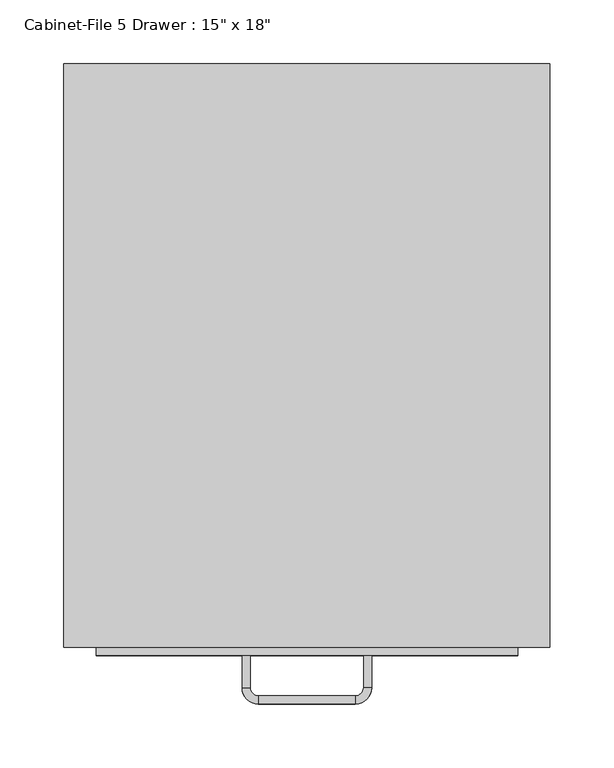
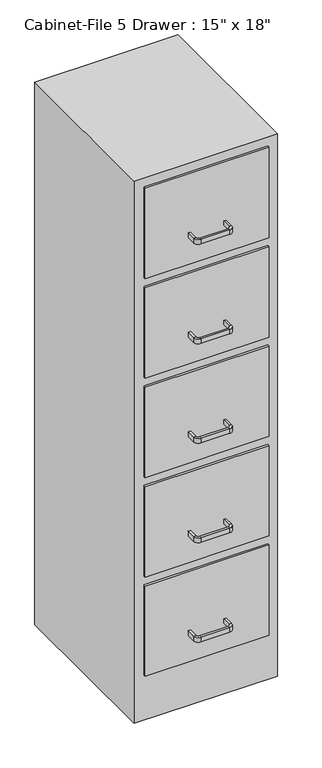
"""IFC4 building model written with IfcOpenShell, lengths in millimetres: furniture geometry."""

from ifc_helpers import new_model, si_unit, frame, origin, origin_with_axes, place, context, project, spatial, polyline, circle_curve, outline, extrude, source, transform, mapped, element, save
from ifc_brep_helpers import plane_surface, cylinder_surface, revolved_surface, advanced_brep


def furniture_d4d3357e(model_context):
    return source(origin(), model_context, "Body", "SolidModel", [
        extrude(outline(polyline([(62.603553, 86.4656999), (62.603553, -370.7343001), (-318.396447, -370.7343001), (-318.396447, 86.4656999), (62.603553, 86.4656999)])), origin_with_axes(), (0.0, 0.0, 1.0), 1524.0),
        extrude(outline(polyline([(37.203553, -377.0843001), (-292.996447, -377.0843001), (-292.996447, -370.7343001), (37.203553, -370.7343001), (37.203553, -377.0843001)])), frame((0.0, 0.0, 1244.6), z_axis=(0.0, 0.0, 1.0), x_axis=(1.0, 0.0, 0.0)), (0.0, 0.0, 1.0), 254.0),
        extrude(outline(polyline([(37.203553, -377.0843001), (-292.996447, -377.0843001), (-292.996447, -370.7343001), (37.203553, -370.7343001), (37.203553, -377.0843001)])), frame((0.0, 0.0, 965.2), z_axis=(0.0, 0.0, 1.0), x_axis=(1.0, 0.0, 0.0)), (0.0, 0.0, 1.0), 254.0),
        extrude(outline(polyline([(37.203553, -377.0843001), (-292.996447, -377.0843001), (-292.996447, -370.7343001), (37.203553, -370.7343001), (37.203553, -377.0843001)])), frame((0.0, 0.0, 685.8), z_axis=(0.0, 0.0, 1.0), x_axis=(1.0, 0.0, 0.0)), (0.0, 0.0, 1.0), 254.0),
        extrude(outline(polyline([(37.203553, -377.0843001), (-292.996447, -377.0843001), (-292.996447, -370.7343001), (37.203553, -370.7343001), (37.203553, -377.0843001)])), frame((0.0, 0.0, 406.4), z_axis=(0.0, 0.0, 1.0), x_axis=(1.0, 0.0, 0.0)), (0.0, 0.0, 1.0), 254.0),
        extrude(outline(polyline([(37.203553, -377.0843001), (-292.996447, -377.0843001), (-292.996447, -370.7343001), (37.203553, -370.7343001), (37.203553, -377.0843001)])), frame((0.0, 0.0, 127.0), z_axis=(0.0, 0.0, 1.0), x_axis=(1.0, 0.0, 0.0)), (0.0, 0.0, 1.0), 254.0),
        advanced_brep(
        [(-172.346447, -377.0843001, 203.2), (-178.696447, -377.0843001, 203.2), (-178.696447, -377.0843001, 215.9), (-172.346447, -377.0843001, 215.9), (-172.346447, -402.4843001, 203.2), (-178.696447, -402.4843001, 203.2), (-178.696447, -402.4843001, 215.9), (-172.346447, -402.4843001, 215.9), (-165.996447, -415.1843001, 203.2), (-165.996447, -408.8343001, 203.2), (-165.996447, -415.1843001, 215.9), (-165.996447, -408.8343001, 215.9), (-89.796447, -408.8343001, 203.2), (-89.796447, -415.1843001, 203.2), (-89.796447, -415.1843001, 215.9), (-89.796447, -408.8343001, 215.9), (-77.096447, -402.4843001, 203.2), (-83.446447, -402.4843001, 203.2), (-77.096447, -402.4843001, 215.9), (-83.446447, -402.4843001, 215.9), (-83.446447, -377.0843001, 203.2), (-83.446447, -377.0843001, 215.9), (-77.096447, -377.0843001, 215.9), (-77.096447, -377.0843001, 203.2)],
        [
            (0, 1),
            (1, 2),
            (2, 3),
            (3, 0),
            (0, 4),
            (4, 5),
            (5, 1),
            (5, 6),
            (6, 2),
            (6, 7),
            (7, 3),
            (7, 4),
            (8, 5, circle_curve(frame((-165.996447, -402.4843001, 203.2), z_axis=(0.0, 0.0, -1.0), x_axis=(-1.0, 0.0, 0.0)), 12.7)),
            (4, 9, circle_curve(frame((-165.996447, -402.4843001, 203.2), z_axis=(0.0, 0.0, 1.0), x_axis=(-1.0, 0.0, 0.0)), 6.35)),
            (9, 8),
            (10, 6, circle_curve(frame((-165.996447, -402.4843001, 215.9), z_axis=(0.0, 0.0, -1.0), x_axis=(-1.0, 0.0, 0.0)), 12.7)),
            (8, 10),
            (11, 7, circle_curve(frame((-165.996447, -402.4843001, 215.9), z_axis=(0.0, 0.0, -1.0), x_axis=(-1.0, 0.0, 0.0)), 6.35)),
            (10, 11),
            (11, 9),
            (9, 12),
            (12, 13),
            (13, 8),
            (13, 14),
            (14, 10),
            (14, 15),
            (15, 11),
            (15, 12),
            (16, 13, circle_curve(frame((-89.796447, -402.4843001, 203.2), z_axis=(0.0, 0.0, -1.0), x_axis=(0.0, -1.0, 0.0)), 12.7)),
            (12, 17, circle_curve(frame((-89.796447, -402.4843001, 203.2), z_axis=(0.0, 0.0, 1.0), x_axis=(0.0, -1.0, 0.0)), 6.35)),
            (17, 16),
            (18, 14, circle_curve(frame((-89.796447, -402.4843001, 215.9), z_axis=(0.0, 0.0, -1.0), x_axis=(0.0, -1.0, 0.0)), 12.7)),
            (16, 18),
            (19, 15, circle_curve(frame((-89.796447, -402.4843001, 215.9), z_axis=(0.0, 0.0, -1.0), x_axis=(0.0, -1.0, 0.0)), 6.35)),
            (18, 19),
            (19, 17),
            (20, 21),
            (21, 22),
            (22, 23),
            (23, 20),
            (17, 20),
            (23, 16),
            (22, 18),
            (21, 19),
        ],
        [
            plane_surface(frame((-1512.211566, -377.0843001, 0.0), z_axis=(0.0, 1.0, 0.0), x_axis=(0.0, 0.0, -1.0))),
            plane_surface(frame((-172.346447, -377.0843001, 203.2), z_axis=(0.0, 0.0, -1.0), x_axis=(0.0, -1.0, 0.0))),
            plane_surface(frame((-178.696447, -377.0843001, 203.2), z_axis=(-1.0, 0.0, 0.0), x_axis=(0.0, -1.0, 0.0))),
            plane_surface(frame((-178.696447, -377.0843001, 215.9), z_axis=(0.0, 0.0, 1.0), x_axis=(0.0, -1.0, 0.0))),
            plane_surface(frame((-172.346447, -377.0843001, 215.9), z_axis=(1.0, 0.0, 0.0), x_axis=(0.0, -1.0, 0.0))),
            plane_surface(frame((-165.996447, -402.4843001, 203.2), z_axis=(0.0, 0.0, -1.0), x_axis=(-1.0, 0.0, 0.0))),
            cylinder_surface(frame((-165.996447, -402.4843001, 0.0), z_axis=(0.0, 0.0, 1.0), x_axis=(-1.0, 0.0, 0.0)), 12.7),
            plane_surface(frame((-165.996447, -402.4843001, 215.9), z_axis=(0.0, 0.0, 1.0), x_axis=(-1.0, 0.0, 0.0))),
            revolved_surface(polyline([(-172.34644699999998, -402.4843001, 215.9), (-172.34644699999998, -402.4843001, 203.2)]), (-165.996447, -402.4843001, 0.0), (0.0, 0.0, 1.0)),
            plane_surface(frame((-165.996447, -408.8343001, 203.2), z_axis=(0.0, 0.0, -1.0), x_axis=(1.0, 0.0, 0.0))),
            plane_surface(frame((-165.996447, -415.1843001, 203.2), z_axis=(0.0, -1.0, 0.0), x_axis=(1.0, 0.0, 0.0))),
            plane_surface(frame((-165.996447, -415.1843001, 215.9), z_axis=(0.0, 0.0, 1.0), x_axis=(1.0, 0.0, 0.0))),
            plane_surface(frame((-165.996447, -408.8343001, 215.9), z_axis=(0.0, 1.0, 0.0), x_axis=(1.0, 0.0, 0.0))),
            plane_surface(frame((-89.796447, -402.4843001, 203.2), z_axis=(0.0, 0.0, -1.0), x_axis=(0.0, -1.0, 0.0))),
            cylinder_surface(frame((-89.796447, -402.4843001, 0.0), z_axis=(0.0, 0.0, 1.0), x_axis=(0.0, -1.0, 0.0)), 12.7),
            plane_surface(frame((-89.796447, -402.4843001, 215.9), z_axis=(0.0, 0.0, 1.0), x_axis=(0.0, -1.0, 0.0))),
            revolved_surface(polyline([(-89.796447, -408.8343001, 215.9), (-89.796447, -408.8343001, 203.2)]), (-89.796447, -402.4843001, 0.0), (0.0, 0.0, 1.0)),
            plane_surface(frame((-1410.611566, -377.0843001, 0.0), z_axis=(0.0, 1.0, 0.0), x_axis=(0.0, 0.0, 1.0))),
            plane_surface(frame((-83.446447, -402.4843001, 203.2), z_axis=(0.0, 0.0, -1.0), x_axis=(0.0, 1.0, 0.0))),
            plane_surface(frame((-77.096447, -402.4843001, 203.2), z_axis=(1.0, 0.0, 0.0), x_axis=(0.0, 1.0, 0.0))),
            plane_surface(frame((-77.096447, -402.4843001, 215.9), z_axis=(0.0, 0.0, 1.0), x_axis=(0.0, 1.0, 0.0))),
            plane_surface(frame((-83.446447, -402.4843001, 215.9), z_axis=(-1.0, 0.0, 0.0), x_axis=(0.0, 1.0, 0.0))),
        ],
        [
            (0, [[1, 2, 3, 4]]),
            (1, [[-1, 5, 6, 7]]),
            (2, [[-2, -7, 8, 9]]),
            (3, [[-3, -9, 10, 11]]),
            (4, [[-4, -11, 12, -5]]),
            (5, [[13, -6, 14, 15]]),
            (6, [[16, -8, -13, 17]]),
            (7, [[18, -10, -16, 19]]),
            (8, [[-14, -12, -18, 20]]),
            (9, [[-15, 21, 22, 23]]),
            (10, [[-17, -23, 24, 25]]),
            (11, [[-19, -25, 26, 27]]),
            (12, [[-20, -27, 28, -21]]),
            (13, [[29, -22, 30, 31]]),
            (14, [[32, -24, -29, 33]]),
            (15, [[34, -26, -32, 35]]),
            (16, [[-30, -28, -34, 36]]),
            (17, [[37, 38, 39, 40]]),
            (18, [[-31, 41, -40, 42]]),
            (19, [[-33, -42, -39, 43]]),
            (20, [[-35, -43, -38, 44]]),
            (21, [[-36, -44, -37, -41]]),
        ],
    ),
        advanced_brep(
        [(-172.346447, -377.0843001, 482.6), (-178.696447, -377.0843001, 482.6), (-178.696447, -377.0843001, 495.3), (-172.346447, -377.0843001, 495.3), (-172.346447, -402.4843001, 482.6), (-178.696447, -402.4843001, 482.6), (-178.696447, -402.4843001, 495.3), (-172.346447, -402.4843001, 495.3), (-165.996447, -415.1843001, 482.6), (-165.996447, -408.8343001, 482.6), (-165.996447, -415.1843001, 495.3), (-165.996447, -408.8343001, 495.3), (-89.796447, -408.8343001, 482.6), (-89.796447, -415.1843001, 482.6), (-89.796447, -415.1843001, 495.3), (-89.796447, -408.8343001, 495.3), (-77.096447, -402.4843001, 482.6), (-83.446447, -402.4843001, 482.6), (-77.096447, -402.4843001, 495.3), (-83.446447, -402.4843001, 495.3), (-83.446447, -377.0843001, 482.6), (-83.446447, -377.0843001, 495.3), (-77.096447, -377.0843001, 495.3), (-77.096447, -377.0843001, 482.6)],
        [
            (0, 1),
            (1, 2),
            (2, 3),
            (3, 0),
            (0, 4),
            (4, 5),
            (5, 1),
            (5, 6),
            (6, 2),
            (6, 7),
            (7, 3),
            (7, 4),
            (8, 5, circle_curve(frame((-165.996447, -402.4843001, 482.6), z_axis=(0.0, 0.0, -1.0), x_axis=(-1.0, 0.0, 0.0)), 12.7)),
            (4, 9, circle_curve(frame((-165.996447, -402.4843001, 482.6), z_axis=(0.0, 0.0, 1.0), x_axis=(-1.0, 0.0, 0.0)), 6.35)),
            (9, 8),
            (10, 6, circle_curve(frame((-165.996447, -402.4843001, 495.3), z_axis=(0.0, 0.0, -1.0), x_axis=(-1.0, 0.0, 0.0)), 12.7)),
            (8, 10),
            (11, 7, circle_curve(frame((-165.996447, -402.4843001, 495.3), z_axis=(0.0, 0.0, -1.0), x_axis=(-1.0, 0.0, 0.0)), 6.35)),
            (10, 11),
            (11, 9),
            (9, 12),
            (12, 13),
            (13, 8),
            (13, 14),
            (14, 10),
            (14, 15),
            (15, 11),
            (15, 12),
            (16, 13, circle_curve(frame((-89.796447, -402.4843001, 482.6), z_axis=(0.0, 0.0, -1.0), x_axis=(0.0, -1.0, 0.0)), 12.7)),
            (12, 17, circle_curve(frame((-89.796447, -402.4843001, 482.6), z_axis=(0.0, 0.0, 1.0), x_axis=(0.0, -1.0, 0.0)), 6.35)),
            (17, 16),
            (18, 14, circle_curve(frame((-89.796447, -402.4843001, 495.3), z_axis=(0.0, 0.0, -1.0), x_axis=(0.0, -1.0, 0.0)), 12.7)),
            (16, 18),
            (19, 15, circle_curve(frame((-89.796447, -402.4843001, 495.3), z_axis=(0.0, 0.0, -1.0), x_axis=(0.0, -1.0, 0.0)), 6.35)),
            (18, 19),
            (19, 17),
            (20, 21),
            (21, 22),
            (22, 23),
            (23, 20),
            (17, 20),
            (23, 16),
            (22, 18),
            (21, 19),
        ],
        [
            plane_surface(frame((-1512.211566, -377.0843001, 0.0), z_axis=(0.0, 1.0, 0.0), x_axis=(0.0, 0.0, -1.0))),
            plane_surface(frame((-172.346447, -377.0843001, 482.6), z_axis=(0.0, 0.0, -1.0), x_axis=(0.0, -1.0, 0.0))),
            plane_surface(frame((-178.696447, -377.0843001, 482.6), z_axis=(-1.0, 0.0, 0.0), x_axis=(0.0, -1.0, 0.0))),
            plane_surface(frame((-178.696447, -377.0843001, 495.3), z_axis=(0.0, 0.0, 1.0), x_axis=(0.0, -1.0, 0.0))),
            plane_surface(frame((-172.346447, -377.0843001, 495.3), z_axis=(1.0, 0.0, 0.0), x_axis=(0.0, -1.0, 0.0))),
            plane_surface(frame((-165.996447, -402.4843001, 482.6), z_axis=(0.0, 0.0, -1.0), x_axis=(-1.0, 0.0, 0.0))),
            cylinder_surface(frame((-165.996447, -402.4843001, 0.0), z_axis=(0.0, 0.0, 1.0), x_axis=(-1.0, 0.0, 0.0)), 12.7),
            plane_surface(frame((-165.996447, -402.4843001, 495.3), z_axis=(0.0, 0.0, 1.0), x_axis=(-1.0, 0.0, 0.0))),
            revolved_surface(polyline([(-172.34644699999998, -402.4843001, 495.3), (-172.34644699999998, -402.4843001, 482.6)]), (-165.996447, -402.4843001, 0.0), (0.0, 0.0, 1.0)),
            plane_surface(frame((-165.996447, -408.8343001, 482.6), z_axis=(0.0, 0.0, -1.0), x_axis=(1.0, 0.0, 0.0))),
            plane_surface(frame((-165.996447, -415.1843001, 482.6), z_axis=(0.0, -1.0, 0.0), x_axis=(1.0, 0.0, 0.0))),
            plane_surface(frame((-165.996447, -415.1843001, 495.3), z_axis=(0.0, 0.0, 1.0), x_axis=(1.0, 0.0, 0.0))),
            plane_surface(frame((-165.996447, -408.8343001, 495.3), z_axis=(0.0, 1.0, 0.0), x_axis=(1.0, 0.0, 0.0))),
            plane_surface(frame((-89.796447, -402.4843001, 482.6), z_axis=(0.0, 0.0, -1.0), x_axis=(0.0, -1.0, 0.0))),
            cylinder_surface(frame((-89.796447, -402.4843001, 0.0), z_axis=(0.0, 0.0, 1.0), x_axis=(0.0, -1.0, 0.0)), 12.7),
            plane_surface(frame((-89.796447, -402.4843001, 495.3), z_axis=(0.0, 0.0, 1.0), x_axis=(0.0, -1.0, 0.0))),
            revolved_surface(polyline([(-89.796447, -408.8343001, 495.3), (-89.796447, -408.8343001, 482.6)]), (-89.796447, -402.4843001, 0.0), (0.0, 0.0, 1.0)),
            plane_surface(frame((-1410.611566, -377.0843001, 0.0), z_axis=(0.0, 1.0, 0.0), x_axis=(0.0, 0.0, 1.0))),
            plane_surface(frame((-83.446447, -402.4843001, 482.6), z_axis=(0.0, 0.0, -1.0), x_axis=(0.0, 1.0, 0.0))),
            plane_surface(frame((-77.096447, -402.4843001, 482.6), z_axis=(1.0, 0.0, 0.0), x_axis=(0.0, 1.0, 0.0))),
            plane_surface(frame((-77.096447, -402.4843001, 495.3), z_axis=(0.0, 0.0, 1.0), x_axis=(0.0, 1.0, 0.0))),
            plane_surface(frame((-83.446447, -402.4843001, 495.3), z_axis=(-1.0, 0.0, 0.0), x_axis=(0.0, 1.0, 0.0))),
        ],
        [
            (0, [[1, 2, 3, 4]]),
            (1, [[-1, 5, 6, 7]]),
            (2, [[-2, -7, 8, 9]]),
            (3, [[-3, -9, 10, 11]]),
            (4, [[-4, -11, 12, -5]]),
            (5, [[13, -6, 14, 15]]),
            (6, [[16, -8, -13, 17]]),
            (7, [[18, -10, -16, 19]]),
            (8, [[-14, -12, -18, 20]]),
            (9, [[-15, 21, 22, 23]]),
            (10, [[-17, -23, 24, 25]]),
            (11, [[-19, -25, 26, 27]]),
            (12, [[-20, -27, 28, -21]]),
            (13, [[29, -22, 30, 31]]),
            (14, [[32, -24, -29, 33]]),
            (15, [[34, -26, -32, 35]]),
            (16, [[-30, -28, -34, 36]]),
            (17, [[37, 38, 39, 40]]),
            (18, [[-31, 41, -40, 42]]),
            (19, [[-33, -42, -39, 43]]),
            (20, [[-35, -43, -38, 44]]),
            (21, [[-36, -44, -37, -41]]),
        ],
    ),
        advanced_brep(
        [(-172.346447, -377.0843001, 762.0), (-178.696447, -377.0843001, 762.0), (-178.696447, -377.0843001, 774.7), (-172.346447, -377.0843001, 774.7), (-172.346447, -402.4843001, 762.0), (-178.696447, -402.4843001, 762.0), (-178.696447, -402.4843001, 774.7), (-172.346447, -402.4843001, 774.7), (-165.996447, -415.1843001, 762.0), (-165.996447, -408.8343001, 762.0), (-165.996447, -415.1843001, 774.7), (-165.996447, -408.8343001, 774.7), (-89.796447, -408.8343001, 762.0), (-89.796447, -415.1843001, 762.0), (-89.796447, -415.1843001, 774.7), (-89.796447, -408.8343001, 774.7), (-77.096447, -402.4843001, 762.0), (-83.446447, -402.4843001, 762.0), (-77.096447, -402.4843001, 774.7), (-83.446447, -402.4843001, 774.7), (-83.446447, -377.0843001, 762.0), (-83.446447, -377.0843001, 774.7), (-77.096447, -377.0843001, 774.7), (-77.096447, -377.0843001, 762.0)],
        [
            (0, 1),
            (1, 2),
            (2, 3),
            (3, 0),
            (0, 4),
            (4, 5),
            (5, 1),
            (5, 6),
            (6, 2),
            (6, 7),
            (7, 3),
            (7, 4),
            (8, 5, circle_curve(frame((-165.996447, -402.4843001, 762.0), z_axis=(0.0, 0.0, -1.0), x_axis=(-1.0, 0.0, 0.0)), 12.7)),
            (4, 9, circle_curve(frame((-165.996447, -402.4843001, 762.0), z_axis=(0.0, 0.0, 1.0), x_axis=(-1.0, 0.0, 0.0)), 6.35)),
            (9, 8),
            (10, 6, circle_curve(frame((-165.996447, -402.4843001, 774.7), z_axis=(0.0, 0.0, -1.0), x_axis=(-1.0, 0.0, 0.0)), 12.7)),
            (8, 10),
            (11, 7, circle_curve(frame((-165.996447, -402.4843001, 774.7), z_axis=(0.0, 0.0, -1.0), x_axis=(-1.0, 0.0, 0.0)), 6.35)),
            (10, 11),
            (11, 9),
            (9, 12),
            (12, 13),
            (13, 8),
            (13, 14),
            (14, 10),
            (14, 15),
            (15, 11),
            (15, 12),
            (16, 13, circle_curve(frame((-89.796447, -402.4843001, 762.0), z_axis=(0.0, 0.0, -1.0), x_axis=(0.0, -1.0, 0.0)), 12.7)),
            (12, 17, circle_curve(frame((-89.796447, -402.4843001, 762.0), z_axis=(0.0, 0.0, 1.0), x_axis=(0.0, -1.0, 0.0)), 6.35)),
            (17, 16),
            (18, 14, circle_curve(frame((-89.796447, -402.4843001, 774.7), z_axis=(0.0, 0.0, -1.0), x_axis=(0.0, -1.0, 0.0)), 12.7)),
            (16, 18),
            (19, 15, circle_curve(frame((-89.796447, -402.4843001, 774.7), z_axis=(0.0, 0.0, -1.0), x_axis=(0.0, -1.0, 0.0)), 6.35)),
            (18, 19),
            (19, 17),
            (20, 21),
            (21, 22),
            (22, 23),
            (23, 20),
            (17, 20),
            (23, 16),
            (22, 18),
            (21, 19),
        ],
        [
            plane_surface(frame((-1512.211566, -377.0843001, 0.0), z_axis=(0.0, 1.0, 0.0), x_axis=(0.0, 0.0, -1.0))),
            plane_surface(frame((-172.346447, -377.0843001, 762.0), z_axis=(0.0, 0.0, -1.0), x_axis=(0.0, -1.0, 0.0))),
            plane_surface(frame((-178.696447, -377.0843001, 762.0), z_axis=(-1.0, 0.0, 0.0), x_axis=(0.0, -1.0, 0.0))),
            plane_surface(frame((-178.696447, -377.0843001, 774.7), z_axis=(0.0, 0.0, 1.0), x_axis=(0.0, -1.0, 0.0))),
            plane_surface(frame((-172.346447, -377.0843001, 774.7), z_axis=(1.0, 0.0, 0.0), x_axis=(0.0, -1.0, 0.0))),
            plane_surface(frame((-165.996447, -402.4843001, 762.0), z_axis=(0.0, 0.0, -1.0), x_axis=(-1.0, 0.0, 0.0))),
            cylinder_surface(frame((-165.996447, -402.4843001, 0.0), z_axis=(0.0, 0.0, 1.0), x_axis=(-1.0, 0.0, 0.0)), 12.7),
            plane_surface(frame((-165.996447, -402.4843001, 774.7), z_axis=(0.0, 0.0, 1.0), x_axis=(-1.0, 0.0, 0.0))),
            revolved_surface(polyline([(-172.34644699999998, -402.4843001, 774.7), (-172.34644699999998, -402.4843001, 762.0)]), (-165.996447, -402.4843001, 0.0), (0.0, 0.0, 1.0)),
            plane_surface(frame((-165.996447, -408.8343001, 762.0), z_axis=(0.0, 0.0, -1.0), x_axis=(1.0, 0.0, 0.0))),
            plane_surface(frame((-165.996447, -415.1843001, 762.0), z_axis=(0.0, -1.0, 0.0), x_axis=(1.0, 0.0, 0.0))),
            plane_surface(frame((-165.996447, -415.1843001, 774.7), z_axis=(0.0, 0.0, 1.0), x_axis=(1.0, 0.0, 0.0))),
            plane_surface(frame((-165.996447, -408.8343001, 774.7), z_axis=(0.0, 1.0, 0.0), x_axis=(1.0, 0.0, 0.0))),
            plane_surface(frame((-89.796447, -402.4843001, 762.0), z_axis=(0.0, 0.0, -1.0), x_axis=(0.0, -1.0, 0.0))),
            cylinder_surface(frame((-89.796447, -402.4843001, 0.0), z_axis=(0.0, 0.0, 1.0), x_axis=(0.0, -1.0, 0.0)), 12.7),
            plane_surface(frame((-89.796447, -402.4843001, 774.7), z_axis=(0.0, 0.0, 1.0), x_axis=(0.0, -1.0, 0.0))),
            revolved_surface(polyline([(-89.796447, -408.8343001, 774.7), (-89.796447, -408.8343001, 762.0)]), (-89.796447, -402.4843001, 0.0), (0.0, 0.0, 1.0)),
            plane_surface(frame((-1410.611566, -377.0843001, 0.0), z_axis=(0.0, 1.0, 0.0), x_axis=(0.0, 0.0, 1.0))),
            plane_surface(frame((-83.446447, -402.4843001, 762.0), z_axis=(0.0, 0.0, -1.0), x_axis=(0.0, 1.0, 0.0))),
            plane_surface(frame((-77.096447, -402.4843001, 762.0), z_axis=(1.0, 0.0, 0.0), x_axis=(0.0, 1.0, 0.0))),
            plane_surface(frame((-77.096447, -402.4843001, 774.7), z_axis=(0.0, 0.0, 1.0), x_axis=(0.0, 1.0, 0.0))),
            plane_surface(frame((-83.446447, -402.4843001, 774.7), z_axis=(-1.0, 0.0, 0.0), x_axis=(0.0, 1.0, 0.0))),
        ],
        [
            (0, [[1, 2, 3, 4]]),
            (1, [[-1, 5, 6, 7]]),
            (2, [[-2, -7, 8, 9]]),
            (3, [[-3, -9, 10, 11]]),
            (4, [[-4, -11, 12, -5]]),
            (5, [[13, -6, 14, 15]]),
            (6, [[16, -8, -13, 17]]),
            (7, [[18, -10, -16, 19]]),
            (8, [[-14, -12, -18, 20]]),
            (9, [[-15, 21, 22, 23]]),
            (10, [[-17, -23, 24, 25]]),
            (11, [[-19, -25, 26, 27]]),
            (12, [[-20, -27, 28, -21]]),
            (13, [[29, -22, 30, 31]]),
            (14, [[32, -24, -29, 33]]),
            (15, [[34, -26, -32, 35]]),
            (16, [[-30, -28, -34, 36]]),
            (17, [[37, 38, 39, 40]]),
            (18, [[-31, 41, -40, 42]]),
            (19, [[-33, -42, -39, 43]]),
            (20, [[-35, -43, -38, 44]]),
            (21, [[-36, -44, -37, -41]]),
        ],
    ),
        advanced_brep(
        [(-172.346447, -377.0843001, 1041.4), (-178.696447, -377.0843001, 1041.4), (-178.696447, -377.0843001, 1054.1), (-172.346447, -377.0843001, 1054.1), (-172.346447, -402.4843001, 1041.4), (-178.696447, -402.4843001, 1041.4), (-178.696447, -402.4843001, 1054.1), (-172.346447, -402.4843001, 1054.1), (-165.996447, -415.1843001, 1041.4), (-165.996447, -408.8343001, 1041.4), (-165.996447, -415.1843001, 1054.1), (-165.996447, -408.8343001, 1054.1), (-89.796447, -408.8343001, 1041.4), (-89.796447, -415.1843001, 1041.4), (-89.796447, -415.1843001, 1054.1), (-89.796447, -408.8343001, 1054.1), (-77.096447, -402.4843001, 1041.4), (-83.446447, -402.4843001, 1041.4), (-77.096447, -402.4843001, 1054.1), (-83.446447, -402.4843001, 1054.1), (-83.446447, -377.0843001, 1041.4), (-83.446447, -377.0843001, 1054.1), (-77.096447, -377.0843001, 1054.1), (-77.096447, -377.0843001, 1041.4)],
        [
            (0, 1),
            (1, 2),
            (2, 3),
            (3, 0),
            (0, 4),
            (4, 5),
            (5, 1),
            (5, 6),
            (6, 2),
            (6, 7),
            (7, 3),
            (7, 4),
            (8, 5, circle_curve(frame((-165.996447, -402.4843001, 1041.4), z_axis=(0.0, 0.0, -1.0), x_axis=(-1.0, 0.0, 0.0)), 12.7)),
            (4, 9, circle_curve(frame((-165.996447, -402.4843001, 1041.4), z_axis=(0.0, 0.0, 1.0), x_axis=(-1.0, 0.0, 0.0)), 6.35)),
            (9, 8),
            (10, 6, circle_curve(frame((-165.996447, -402.4843001, 1054.1), z_axis=(0.0, 0.0, -1.0), x_axis=(-1.0, 0.0, 0.0)), 12.7)),
            (8, 10),
            (11, 7, circle_curve(frame((-165.996447, -402.4843001, 1054.1), z_axis=(0.0, 0.0, -1.0), x_axis=(-1.0, 0.0, 0.0)), 6.35)),
            (10, 11),
            (11, 9),
            (9, 12),
            (12, 13),
            (13, 8),
            (13, 14),
            (14, 10),
            (14, 15),
            (15, 11),
            (15, 12),
            (16, 13, circle_curve(frame((-89.796447, -402.4843001, 1041.4), z_axis=(0.0, 0.0, -1.0), x_axis=(0.0, -1.0, 0.0)), 12.7)),
            (12, 17, circle_curve(frame((-89.796447, -402.4843001, 1041.4), z_axis=(0.0, 0.0, 1.0), x_axis=(0.0, -1.0, 0.0)), 6.35)),
            (17, 16),
            (18, 14, circle_curve(frame((-89.796447, -402.4843001, 1054.1), z_axis=(0.0, 0.0, -1.0), x_axis=(0.0, -1.0, 0.0)), 12.7)),
            (16, 18),
            (19, 15, circle_curve(frame((-89.796447, -402.4843001, 1054.1), z_axis=(0.0, 0.0, -1.0), x_axis=(0.0, -1.0, 0.0)), 6.35)),
            (18, 19),
            (19, 17),
            (20, 21),
            (21, 22),
            (22, 23),
            (23, 20),
            (17, 20),
            (23, 16),
            (22, 18),
            (21, 19),
        ],
        [
            plane_surface(frame((-1512.211566, -377.0843001, 0.0), z_axis=(0.0, 1.0, 0.0), x_axis=(0.0, 0.0, -1.0))),
            plane_surface(frame((-172.346447, -377.0843001, 1041.4), z_axis=(0.0, 0.0, -1.0), x_axis=(0.0, -1.0, 0.0))),
            plane_surface(frame((-178.696447, -377.0843001, 1041.4), z_axis=(-1.0, 0.0, 0.0), x_axis=(0.0, -1.0, 0.0))),
            plane_surface(frame((-178.696447, -377.0843001, 1054.1), z_axis=(0.0, 0.0, 1.0), x_axis=(0.0, -1.0, 0.0))),
            plane_surface(frame((-172.346447, -377.0843001, 1054.1), z_axis=(1.0, 0.0, 0.0), x_axis=(0.0, -1.0, 0.0))),
            plane_surface(frame((-165.996447, -402.4843001, 1041.4), z_axis=(0.0, 0.0, -1.0), x_axis=(-1.0, 0.0, 0.0))),
            cylinder_surface(frame((-165.996447, -402.4843001, 0.0), z_axis=(0.0, 0.0, 1.0), x_axis=(-1.0, 0.0, 0.0)), 12.7),
            plane_surface(frame((-165.996447, -402.4843001, 1054.1), z_axis=(0.0, 0.0, 1.0), x_axis=(-1.0, 0.0, 0.0))),
            revolved_surface(polyline([(-172.34644699999998, -402.4843001, 1054.1), (-172.34644699999998, -402.4843001, 1041.4)]), (-165.996447, -402.4843001, 0.0), (0.0, 0.0, 1.0)),
            plane_surface(frame((-165.996447, -408.8343001, 1041.4), z_axis=(0.0, 0.0, -1.0), x_axis=(1.0, 0.0, 0.0))),
            plane_surface(frame((-165.996447, -415.1843001, 1041.4), z_axis=(0.0, -1.0, 0.0), x_axis=(1.0, 0.0, 0.0))),
            plane_surface(frame((-165.996447, -415.1843001, 1054.1), z_axis=(0.0, 0.0, 1.0), x_axis=(1.0, 0.0, 0.0))),
            plane_surface(frame((-165.996447, -408.8343001, 1054.1), z_axis=(0.0, 1.0, 0.0), x_axis=(1.0, 0.0, 0.0))),
            plane_surface(frame((-89.796447, -402.4843001, 1041.4), z_axis=(0.0, 0.0, -1.0), x_axis=(0.0, -1.0, 0.0))),
            cylinder_surface(frame((-89.796447, -402.4843001, 0.0), z_axis=(0.0, 0.0, 1.0), x_axis=(0.0, -1.0, 0.0)), 12.7),
            plane_surface(frame((-89.796447, -402.4843001, 1054.1), z_axis=(0.0, 0.0, 1.0), x_axis=(0.0, -1.0, 0.0))),
            revolved_surface(polyline([(-89.796447, -408.8343001, 1054.1), (-89.796447, -408.8343001, 1041.4)]), (-89.796447, -402.4843001, 0.0), (0.0, 0.0, 1.0)),
            plane_surface(frame((-1410.611566, -377.0843001, 0.0), z_axis=(0.0, 1.0, 0.0), x_axis=(0.0, 0.0, 1.0))),
            plane_surface(frame((-83.446447, -402.4843001, 1041.4), z_axis=(0.0, 0.0, -1.0), x_axis=(0.0, 1.0, 0.0))),
            plane_surface(frame((-77.096447, -402.4843001, 1041.4), z_axis=(1.0, 0.0, 0.0), x_axis=(0.0, 1.0, 0.0))),
            plane_surface(frame((-77.096447, -402.4843001, 1054.1), z_axis=(0.0, 0.0, 1.0), x_axis=(0.0, 1.0, 0.0))),
            plane_surface(frame((-83.446447, -402.4843001, 1054.1), z_axis=(-1.0, 0.0, 0.0), x_axis=(0.0, 1.0, 0.0))),
        ],
        [
            (0, [[1, 2, 3, 4]]),
            (1, [[-1, 5, 6, 7]]),
            (2, [[-2, -7, 8, 9]]),
            (3, [[-3, -9, 10, 11]]),
            (4, [[-4, -11, 12, -5]]),
            (5, [[13, -6, 14, 15]]),
            (6, [[16, -8, -13, 17]]),
            (7, [[18, -10, -16, 19]]),
            (8, [[-14, -12, -18, 20]]),
            (9, [[-15, 21, 22, 23]]),
            (10, [[-17, -23, 24, 25]]),
            (11, [[-19, -25, 26, 27]]),
            (12, [[-20, -27, 28, -21]]),
            (13, [[29, -22, 30, 31]]),
            (14, [[32, -24, -29, 33]]),
            (15, [[34, -26, -32, 35]]),
            (16, [[-30, -28, -34, 36]]),
            (17, [[37, 38, 39, 40]]),
            (18, [[-31, 41, -40, 42]]),
            (19, [[-33, -42, -39, 43]]),
            (20, [[-35, -43, -38, 44]]),
            (21, [[-36, -44, -37, -41]]),
        ],
    ),
        advanced_brep(
        [(-172.346447, -377.0843001, 1320.8), (-178.696447, -377.0843001, 1320.8), (-178.696447, -377.0843001, 1333.5), (-172.346447, -377.0843001, 1333.5), (-172.346447, -402.4843001, 1320.8), (-178.696447, -402.4843001, 1320.8), (-178.696447, -402.4843001, 1333.5), (-172.346447, -402.4843001, 1333.5), (-165.996447, -415.1843001, 1320.8), (-165.996447, -408.8343001, 1320.8), (-165.996447, -415.1843001, 1333.5), (-165.996447, -408.8343001, 1333.5), (-89.796447, -408.8343001, 1320.8), (-89.796447, -415.1843001, 1320.8), (-89.796447, -415.1843001, 1333.5), (-89.796447, -408.8343001, 1333.5), (-77.096447, -402.4843001, 1320.8), (-83.446447, -402.4843001, 1320.8), (-77.096447, -402.4843001, 1333.5), (-83.446447, -402.4843001, 1333.5), (-83.446447, -377.0843001, 1320.8), (-83.446447, -377.0843001, 1333.5), (-77.096447, -377.0843001, 1333.5), (-77.096447, -377.0843001, 1320.8)],
        [
            (0, 1),
            (1, 2),
            (2, 3),
            (3, 0),
            (0, 4),
            (4, 5),
            (5, 1),
            (5, 6),
            (6, 2),
            (6, 7),
            (7, 3),
            (7, 4),
            (8, 5, circle_curve(frame((-165.996447, -402.4843001, 1320.8), z_axis=(0.0, 0.0, -1.0), x_axis=(-1.0, 0.0, 0.0)), 12.7)),
            (4, 9, circle_curve(frame((-165.996447, -402.4843001, 1320.8), z_axis=(0.0, 0.0, 1.0), x_axis=(-1.0, 0.0, 0.0)), 6.35)),
            (9, 8),
            (10, 6, circle_curve(frame((-165.996447, -402.4843001, 1333.5), z_axis=(0.0, 0.0, -1.0), x_axis=(-1.0, 0.0, 0.0)), 12.7)),
            (8, 10),
            (11, 7, circle_curve(frame((-165.996447, -402.4843001, 1333.5), z_axis=(0.0, 0.0, -1.0), x_axis=(-1.0, 0.0, 0.0)), 6.35)),
            (10, 11),
            (11, 9),
            (9, 12),
            (12, 13),
            (13, 8),
            (13, 14),
            (14, 10),
            (14, 15),
            (15, 11),
            (15, 12),
            (16, 13, circle_curve(frame((-89.796447, -402.4843001, 1320.8), z_axis=(0.0, 0.0, -1.0), x_axis=(0.0, -1.0, 0.0)), 12.7)),
            (12, 17, circle_curve(frame((-89.796447, -402.4843001, 1320.8), z_axis=(0.0, 0.0, 1.0), x_axis=(0.0, -1.0, 0.0)), 6.35)),
            (17, 16),
            (18, 14, circle_curve(frame((-89.796447, -402.4843001, 1333.5), z_axis=(0.0, 0.0, -1.0), x_axis=(0.0, -1.0, 0.0)), 12.7)),
            (16, 18),
            (19, 15, circle_curve(frame((-89.796447, -402.4843001, 1333.5), z_axis=(0.0, 0.0, -1.0), x_axis=(0.0, -1.0, 0.0)), 6.35)),
            (18, 19),
            (19, 17),
            (20, 21),
            (21, 22),
            (22, 23),
            (23, 20),
            (17, 20),
            (23, 16),
            (22, 18),
            (21, 19),
        ],
        [
            plane_surface(frame((-1512.211566, -377.0843001, 0.0), z_axis=(0.0, 1.0, 0.0), x_axis=(0.0, 0.0, -1.0))),
            plane_surface(frame((-172.346447, -377.0843001, 1320.8), z_axis=(0.0, 0.0, -1.0), x_axis=(0.0, -1.0, 0.0))),
            plane_surface(frame((-178.696447, -377.0843001, 1320.8), z_axis=(-1.0, 0.0, 0.0), x_axis=(0.0, -1.0, 0.0))),
            plane_surface(frame((-178.696447, -377.0843001, 1333.5), z_axis=(0.0, 0.0, 1.0), x_axis=(0.0, -1.0, 0.0))),
            plane_surface(frame((-172.346447, -377.0843001, 1333.5), z_axis=(1.0, 0.0, 0.0), x_axis=(0.0, -1.0, 0.0))),
            plane_surface(frame((-165.996447, -402.4843001, 1320.8), z_axis=(0.0, 0.0, -1.0), x_axis=(-1.0, 0.0, 0.0))),
            cylinder_surface(frame((-165.996447, -402.4843001, 0.0), z_axis=(0.0, 0.0, 1.0), x_axis=(-1.0, 0.0, 0.0)), 12.7),
            plane_surface(frame((-165.996447, -402.4843001, 1333.5), z_axis=(0.0, 0.0, 1.0), x_axis=(-1.0, 0.0, 0.0))),
            revolved_surface(polyline([(-172.34644699999998, -402.4843001, 1333.5), (-172.34644699999998, -402.4843001, 1320.8)]), (-165.996447, -402.4843001, 0.0), (0.0, 0.0, 1.0)),
            plane_surface(frame((-165.996447, -408.8343001, 1320.8), z_axis=(0.0, 0.0, -1.0), x_axis=(1.0, 0.0, 0.0))),
            plane_surface(frame((-165.996447, -415.1843001, 1320.8), z_axis=(0.0, -1.0, 0.0), x_axis=(1.0, 0.0, 0.0))),
            plane_surface(frame((-165.996447, -415.1843001, 1333.5), z_axis=(0.0, 0.0, 1.0), x_axis=(1.0, 0.0, 0.0))),
            plane_surface(frame((-165.996447, -408.8343001, 1333.5), z_axis=(0.0, 1.0, 0.0), x_axis=(1.0, 0.0, 0.0))),
            plane_surface(frame((-89.796447, -402.4843001, 1320.8), z_axis=(0.0, 0.0, -1.0), x_axis=(0.0, -1.0, 0.0))),
            cylinder_surface(frame((-89.796447, -402.4843001, 0.0), z_axis=(0.0, 0.0, 1.0), x_axis=(0.0, -1.0, 0.0)), 12.7),
            plane_surface(frame((-89.796447, -402.4843001, 1333.5), z_axis=(0.0, 0.0, 1.0), x_axis=(0.0, -1.0, 0.0))),
            revolved_surface(polyline([(-89.796447, -408.8343001, 1333.5), (-89.796447, -408.8343001, 1320.8)]), (-89.796447, -402.4843001, 0.0), (0.0, 0.0, 1.0)),
            plane_surface(frame((-1410.611566, -377.0843001, 0.0), z_axis=(0.0, 1.0, 0.0), x_axis=(0.0, 0.0, 1.0))),
            plane_surface(frame((-83.446447, -402.4843001, 1320.8), z_axis=(0.0, 0.0, -1.0), x_axis=(0.0, 1.0, 0.0))),
            plane_surface(frame((-77.096447, -402.4843001, 1320.8), z_axis=(1.0, 0.0, 0.0), x_axis=(0.0, 1.0, 0.0))),
            plane_surface(frame((-77.096447, -402.4843001, 1333.5), z_axis=(0.0, 0.0, 1.0), x_axis=(0.0, 1.0, 0.0))),
            plane_surface(frame((-83.446447, -402.4843001, 1333.5), z_axis=(-1.0, 0.0, 0.0), x_axis=(0.0, 1.0, 0.0))),
        ],
        [
            (0, [[1, 2, 3, 4]]),
            (1, [[-1, 5, 6, 7]]),
            (2, [[-2, -7, 8, 9]]),
            (3, [[-3, -9, 10, 11]]),
            (4, [[-4, -11, 12, -5]]),
            (5, [[13, -6, 14, 15]]),
            (6, [[16, -8, -13, 17]]),
            (7, [[18, -10, -16, 19]]),
            (8, [[-14, -12, -18, 20]]),
            (9, [[-15, 21, 22, 23]]),
            (10, [[-17, -23, 24, 25]]),
            (11, [[-19, -25, 26, 27]]),
            (12, [[-20, -27, 28, -21]]),
            (13, [[29, -22, 30, 31]]),
            (14, [[32, -24, -29, 33]]),
            (15, [[34, -26, -32, 35]]),
            (16, [[-30, -28, -34, 36]]),
            (17, [[37, 38, 39, 40]]),
            (18, [[-31, 41, -40, 42]]),
            (19, [[-33, -42, -39, 43]]),
            (20, [[-35, -43, -38, 44]]),
            (21, [[-36, -44, -37, -41]]),
        ],
    ),
    ])


if __name__ == "__main__":
    model = new_model("IFC4")
    model_context = context("Model", 3, world=origin())
    ifc_project = project(units=[si_unit("LENGTHUNIT", "METRE", prefix="MILLI")], contexts=[model_context])
    site = spatial("IfcSite", under=ifc_project)
    building = spatial("IfcBuilding", under=site)
    placement = place(None, origin())
    furniture_shape = furniture_d4d3357e(model_context)
    element("IfcFurniture", 1, ObjectType="Cabinet-File 5 Drawer : 15\" x 18\"", at=placement, inside=building, context=model_context, shape_type="MappedRepresentation", body=[
        mapped(furniture_shape, transform((0.0, 0.0, 0.0), x_axis=(1.0, 0.0, 0.0), y_axis=(0.0, 1.0, 0.0), z_axis=(0.0, 0.0, 1.0))),
    ])
    save(model, "model.ifc")
